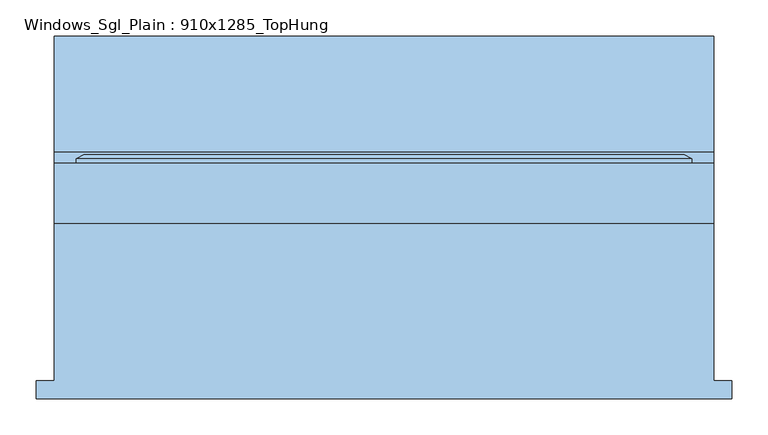
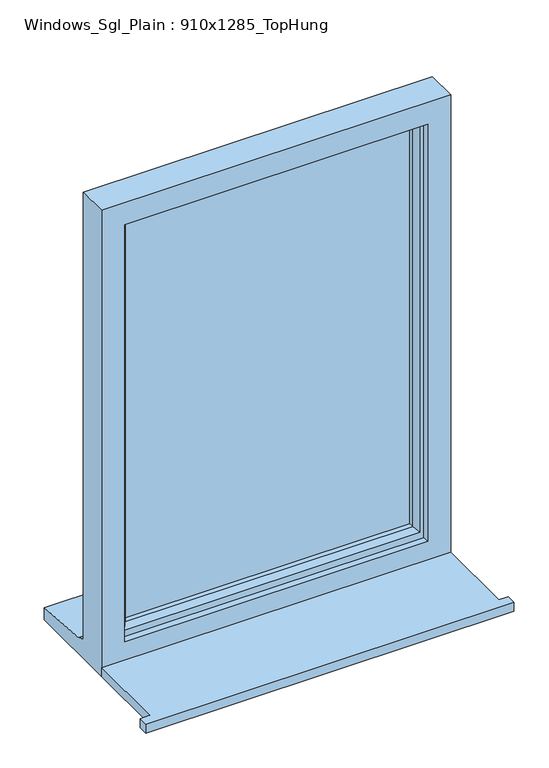
"""IFC4 building model written with IfcOpenShell, lengths in millimetres: window geometry, Windows_Sgl_Plain : 910x1285_TopHung."""

from ifc_helpers import new_model, si_unit, frame, origin, place, context, project, spatial, polyline, outline, extrude, faceted_brep, source, transform, mapped, element, save


def windows_sgl_plain_910x1285_tophung_4db0509c(model_context):
    return source(origin(), model_context, "Body", "SolidModel", [
        extrude(outline(polyline([(-480.0, -241.5184322), (-480.0, -216.5184322), (-455.0, -216.5184322), (-455.0, 0.4315678), (455.0, 0.4315678), (455.0, -216.5184322), (480.0, -216.5184322), (480.0, -241.5184322), (-480.0, -241.5184322)])), frame((0.0, 0.0, 825.0), z_axis=(0.0, 0.0, 1.0), x_axis=(1.0, 0.0, 0.0)), (0.0, 0.0, 1.0), 25.0),
        faceted_brep([(-455.0, 0.4315678, 825.0), (455.0, 0.4315678, 825.0), (455.0, 0.4315678, 2110.0), (-455.0, 0.4315678, 2110.0), (-395.0, 0.4315678, 2050.0), (395.0, 0.4315678, 2050.0), (395.0, 0.4315678, 900.0), (-395.0, 0.4315678, 900.0), (-455.0, 83.4315678, 2110.0), (-455.0, 83.4315678, 876.0), (-455.0, 98.4315678, 874.68767), (-455.0, 98.4315678, 869.7449676), (-455.0, 258.4315678, 858.8088847), (-455.0, 258.4315678, 825.0), (455.0, 83.4315678, 2110.0), (455.0, 83.4315678, 876.0), (-415.0, 83.4315678, 2070.0), (-415.0, 83.4315678, 888.0), (415.0, 83.4315678, 888.0), (415.0, 83.4315678, 2070.0), (-415.0, 18.4315678, 2070.0), (-415.0, 18.4315678, 888.0), (415.0, 18.4315678, 2070.0), (415.0, 18.4315678, 888.0), (-395.0, 18.4315678, 2050.0), (-395.0, 18.4315678, 900.0), (395.0, 18.4315678, 900.0), (395.0, 18.4315678, 2050.0), (455.0, 258.4315678, 825.0), (455.0, 258.4315678, 858.8088847), (455.0, 98.4315678, 869.7449676), (455.0, 98.4315678, 874.68767)], [[[0, 1, 2, 3], [4, 5, 6, 7]], [[0, 3, 8, 9, 10, 11, 12, 13]], [[9, 8, 14, 15], [16, 17, 18, 19]], [[17, 16, 20, 21]], [[20, 22, 23, 21], [24, 25, 26, 27]], [[24, 4, 7, 25]], [[3, 2, 14, 8]], [[16, 19, 22, 20]], [[5, 4, 24, 27]], [[15, 14, 2, 1, 28, 29, 30, 31]], [[19, 18, 23, 22]], [[5, 27, 26, 6]], [[28, 1, 0, 13]], [[29, 28, 13, 12]], [[30, 29, 12, 11]], [[31, 30, 11, 10]], [[15, 31, 10, 9]], [[21, 23, 18, 17]], [[7, 6, 26, 25]]]),
        extrude(outline(polyline([(385.0, 47.4315678), (-385.0, 47.4315678), (-385.0, 71.4315678), (385.0, 71.4315678), (385.0, 47.4315678)])), frame((0.0, 0.0, 918.0), z_axis=(0.0, 0.0, 1.0), x_axis=(1.0, 0.0, 0.0)), (0.0, 0.0, 1.0), 1122.0),
        faceted_brep([(-425.0, 83.4315678, 2080.0), (-425.0, 89.2050705, 2080.0), (-425.0, 89.2050705, 878.0), (-425.0, 83.4315678, 878.0), (-415.0, 18.4315678, 2070.0), (-415.0, 83.4315678, 2070.0), (-415.0, 83.4315678, 888.0), (-415.0, 18.4315678, 888.0), (-375.0, 32.9244677, 2030.0), (-385.1480377, 18.4315678, 2040.1480377), (-385.1480377, 18.4315678, 917.8519623), (-375.0, 32.9244677, 928.0), (-375.0, 47.4315678, 2030.0), (-375.0, 47.4315678, 928.0), (-385.0, 71.4315678, 2040.0), (-385.0, 47.4315678, 2040.0), (-385.0, 47.4315678, 918.0), (-385.0, 71.4315678, 918.0), (-375.0, 89.2050705, 2030.0), (-375.0, 71.4315678, 2030.0), (-375.0, 71.4315678, 928.0), (-375.0, 89.2050705, 928.0), (-392.4457548, 94.9785732, 2047.4457548), (-392.4457548, 94.9785732, 910.5542452), (-414.2153903, 94.9785732, 2069.2153903), (-414.2153903, 94.9785732, 888.7846097), (425.0, 89.2050705, 878.0), (425.0, 83.4315678, 878.0), (415.0, 83.4315678, 888.0), (415.0, 18.4315678, 888.0), (385.1480377, 18.4315678, 917.8519623), (375.0, 32.9244677, 928.0), (375.0, 47.4315678, 928.0), (385.0, 47.4315678, 918.0), (385.0, 71.4315678, 918.0), (375.0, 71.4315678, 928.0), (375.0, 89.2050705, 928.0), (392.4457548, 94.9785732, 910.5542452), (414.2153903, 94.9785732, 888.7846097), (425.0, 89.2050705, 2080.0), (425.0, 83.4315678, 2080.0), (415.0, 83.4315678, 2070.0), (415.0, 18.4315678, 2070.0), (385.1480377, 18.4315678, 2040.1480377), (375.0, 32.9244677, 2030.0), (375.0, 47.4315678, 2030.0), (385.0, 47.4315678, 2040.0), (385.0, 71.4315678, 2040.0), (375.0, 71.4315678, 2030.0), (375.0, 89.2050705, 2030.0), (392.4457548, 94.9785732, 2047.4457548), (414.2153903, 94.9785732, 2069.2153903)], [[[0, 1, 2, 3]], [[4, 5, 6, 7]], [[8, 9, 10, 11]], [[12, 8, 11, 13]], [[14, 15, 16, 17]], [[18, 19, 20, 21]], [[22, 18, 21, 23]], [[1, 24, 25, 2]], [[3, 2, 26, 27]], [[7, 6, 28, 29]], [[11, 10, 30, 31]], [[13, 11, 31, 32]], [[17, 16, 33, 34]], [[21, 20, 35, 36]], [[23, 21, 36, 37]], [[2, 25, 38, 26]], [[27, 26, 39, 40]], [[29, 28, 41, 42]], [[31, 30, 43, 44]], [[32, 31, 44, 45]], [[34, 33, 46, 47]], [[36, 35, 48, 49]], [[37, 36, 49, 50]], [[26, 38, 51, 39]], [[40, 39, 1, 0]], [[3, 27, 40, 0], [5, 41, 28, 6]], [[42, 41, 5, 4]], [[7, 29, 42, 4], [9, 43, 30, 10]], [[44, 43, 9, 8]], [[45, 44, 8, 12]], [[15, 46, 33, 16], [13, 32, 45, 12]], [[47, 46, 15, 14]], [[17, 34, 47, 14], [19, 48, 35, 20]], [[49, 48, 19, 18]], [[50, 49, 18, 22]], [[24, 51, 38, 25], [23, 37, 50, 22]], [[39, 51, 24, 1]]]),
    ])


if __name__ == "__main__":
    model = new_model("IFC4")
    model_context = context("Model", 3, world=origin())
    ifc_project = project(units=[si_unit("LENGTHUNIT", "METRE", prefix="MILLI")], contexts=[model_context])
    site = spatial("IfcSite", under=ifc_project)
    building = spatial("IfcBuilding", under=site)
    placement = place(None, origin())
    windows_sgl_plain_910x1285_tophung_shape = windows_sgl_plain_910x1285_tophung_4db0509c(model_context)
    element("IfcWindow", 1, ObjectType="Windows_Sgl_Plain : 910x1285_TopHung", at=placement, inside=building, context=model_context, shape_type="MappedRepresentation", body=[
        mapped(windows_sgl_plain_910x1285_tophung_shape, transform((0.0, 0.0, 0.0), x_axis=(1.0, 0.0, 0.0), y_axis=(0.0, 1.0, 0.0), z_axis=(0.0, 0.0, 1.0))),
    ])
    save(model, "model.ifc")
